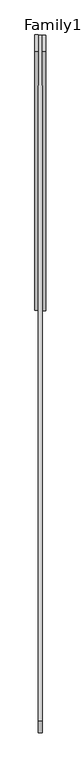
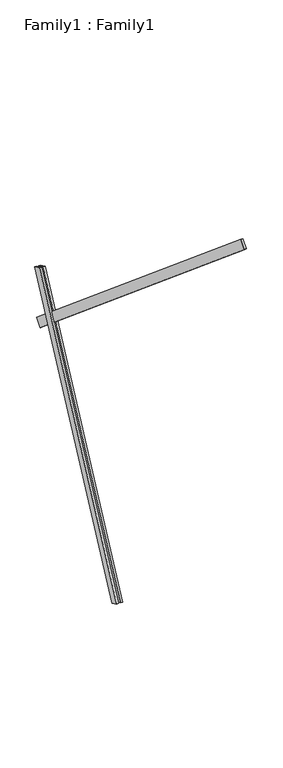
"""IFC4 building model written with IfcOpenShell, lengths in millimetres: proxy geometry, Family1 : Family1."""

from ifc_helpers import new_model, si_unit, frame, origin, place, context, project, spatial, polyline, outline, extrude, source, transform, mapped, element, save


def family1_family1_251f82b0(model_context):
    return source(origin(), model_context, "Body", "SweptSolid", [
        extrude(outline(polyline([(0.0, 0.0), (0.0, -20.0), (-100.0000001, -20.0), (-100.0000001, 0.0), (0.0, 0.0)])), frame((-30.0, 46.3241747, -22.5938096), z_axis=(0.0, 0.4383711467890692, 0.8987940462991711), x_axis=(0.0, 0.8987940462991711, -0.4383711467890692)), (0.0, 0.0, 1.0), 3300.0),
        extrude(outline(polyline([(0.0, 0.0), (0.0, -20.0), (-99.9999999, -20.0), (-99.9999999, 0.0), (0.0, 0.0)])), frame((10.0, 45.270232, -22.0797674), z_axis=(0.0, 0.4383711467890692, 0.8987940462991711), x_axis=(0.0, 0.8987940462991711, -0.4383711467890692)), (0.0, 0.0, 1.0), 3300.0),
        extrude(outline(polyline([(0.0, -20.0), (0.0, 0.0), (5000.0, 0.0), (5000.0, -20.0), (0.0, -20.0)])), frame((-10.0, -2403.7780149, 5498.3060002), z_axis=(0.0, 0.6427876096865409, 0.7660444431189768), x_axis=(0.0, 0.7660444431189768, -0.6427876096865409)), (0.0, 0.0, 1.0), 100.0),
    ])


if __name__ == "__main__":
    model = new_model("IFC4")
    model_context = context("Model", 3, world=origin())
    ifc_project = project(units=[si_unit("LENGTHUNIT", "METRE", prefix="MILLI")], contexts=[model_context])
    site = spatial("IfcSite", under=ifc_project)
    building = spatial("IfcBuilding", under=site)
    placement = place(None, origin())
    family1_family1_shape = family1_family1_251f82b0(model_context)
    element("IfcBuildingElementProxy", 1, Name="Family1 : Family1", ObjectType="Family1 : Family1", at=placement, inside=building, context=model_context, shape_type="MappedRepresentation", body=[
        mapped(family1_family1_shape, transform((0.0, 0.0, 0.0), x_axis=(1.0, 0.0, 0.0), y_axis=(0.0, 1.0, 0.0), z_axis=(0.0, 0.0, 1.0))),
    ])
    save(model, "model.ifc")
